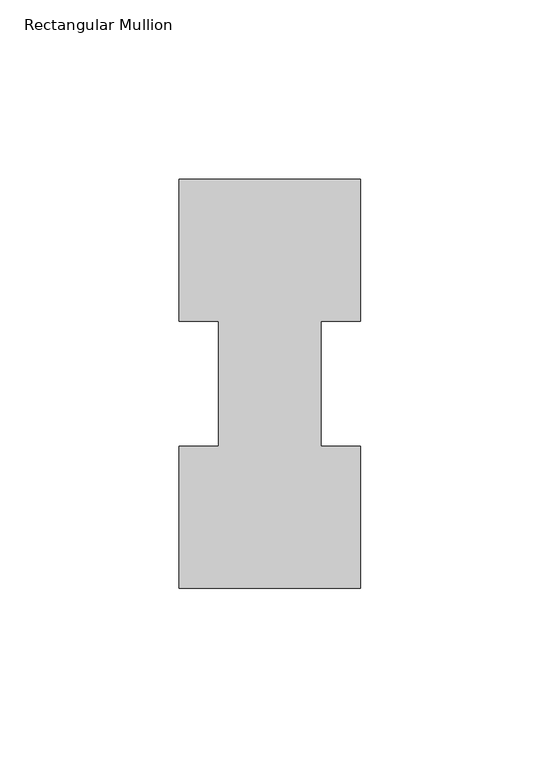
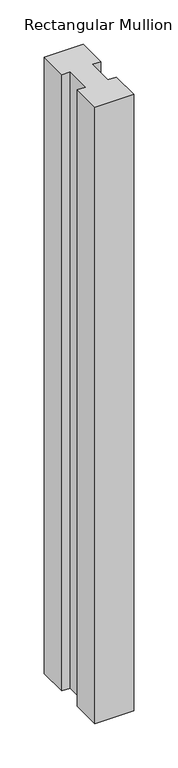
"""IFC4 building model written with IfcOpenShell, lengths in millimetres: member geometry, Rectangular Mullion."""

from ifc_helpers import new_model, si_unit, frame, origin, place, context, project, spatial, polyline, outline, extrude, source, transform, mapped, element, save


def rectangular_mullion_fa264a0d(model_context):
    return source(origin(), model_context, "Body", "SweptSolid", [
        extrude(outline(polyline([(25.4, 114.271425), (25.4, 74.5983181), (14.2875, 74.5983181), (14.2875, 39.6445317), (25.4, 39.6445317), (25.4, -0.028575), (-25.4, -0.028575), (-25.4, 39.646225), (-14.2875, 39.646225), (-14.2875, 74.596625), (-25.4, 74.596625), (-25.4, 114.271425), (25.4, 114.271425)])), frame((0.0, 0.0, -850.9), z_axis=(0.0, 0.0, 1.0), x_axis=(1.0, 0.0, 0.0)), (0.0, 0.0, 1.0), 850.9),
    ])


if __name__ == "__main__":
    model = new_model("IFC4")
    model_context = context("Model", 3, world=origin())
    ifc_project = project(units=[si_unit("LENGTHUNIT", "METRE", prefix="MILLI")], contexts=[model_context])
    site = spatial("IfcSite", under=ifc_project)
    building = spatial("IfcBuilding", under=site)
    placement = place(None, origin())
    rectangular_mullion_shape = rectangular_mullion_fa264a0d(model_context)
    element("IfcMember", 1, ObjectType="Rectangular Mullion", at=placement, inside=building, context=model_context, shape_type="MappedRepresentation", body=[
        mapped(rectangular_mullion_shape, transform((0.0, 0.0, 0.0), x_axis=(1.0, 0.0, 0.0), y_axis=(0.0, 1.0, 0.0), z_axis=(0.0, 0.0, 1.0))),
    ])
    save(model, "model.ifc")
